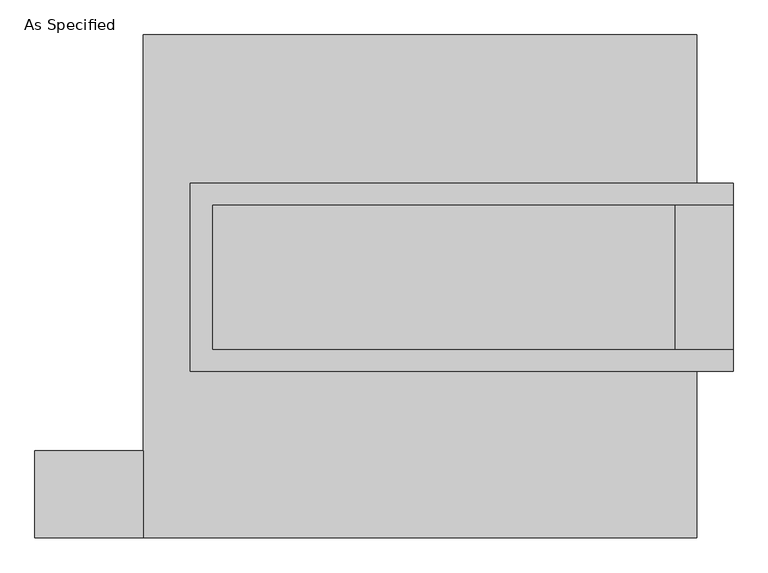
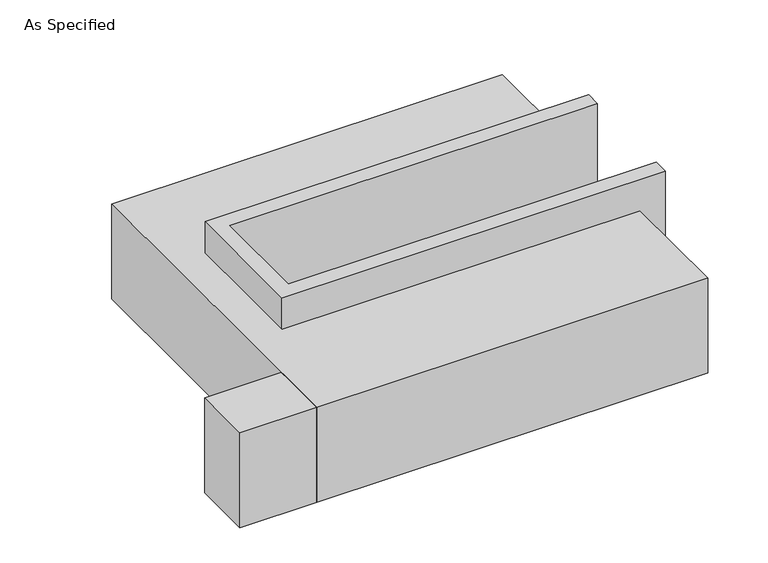
"""IFC4 building model written with IfcOpenShell, lengths in millimetres: proxy geometry, As Specified."""

from ifc_helpers import new_model, si_unit, frame, origin, place, context, project, spatial, polyline, outline, extrude, faceted_brep, source, transform, mapped, element, save


def as_specified_195ae768(model_context):
    return source(origin(), model_context, "Body", "SolidModel", [
        extrude(outline(polyline([(-971.55, -882.65), (-1352.55, -882.65), (-1352.55, -577.85), (-971.55, -577.85), (-971.55, -882.65)])), frame((0.0, 0.0, -523.9742188), z_axis=(0.0, 0.0, 1.0), x_axis=(1.0, 0.0, 0.0)), (0.0, 0.0, 1.0), 498.5742187),
        faceted_brep([(-806.45, 361.95, 139.7), (-806.45, 361.95, -393.7), (-806.45, 285.75, -393.7), (-806.45, 285.75, -25.4), (-806.45, -222.25, -25.4), (-806.45, -222.25, -393.7), (-806.45, -298.45, -393.7), (-806.45, -298.45, 139.7), (1098.55, 285.75, 139.7), (1098.55, 285.75, -317.5), (1098.55, -222.25, -317.5), (1098.55, -222.25, 139.7), (1098.55, -298.45, 139.7), (1098.55, -298.45, -393.7), (1098.55, 361.95, -393.7), (1098.55, 361.95, 139.7), (-730.25, -222.25, 139.7), (-730.25, 285.75, 139.7), (895.35, -222.25, -393.7), (895.35, 285.75, -393.7), (895.35, -222.25, -317.5), (-730.25, -222.25, -25.4), (895.35, 285.75, -317.5), (-730.25, 285.75, -25.4)], [[[0, 1, 2, 3, 4, 5, 6, 7]], [[8, 9, 10, 11, 12, 13, 14, 15]], [[0, 7, 12, 11, 16, 17, 8, 15]], [[1, 0, 15, 14]], [[14, 13, 6, 5, 18, 19, 2, 1]], [[7, 6, 13, 12]], [[11, 10, 20, 18, 5, 4, 21, 16]], [[10, 9, 22, 20]], [[9, 8, 17, 23, 3, 2, 19, 22]], [[18, 20, 22, 19]], [[23, 21, 4, 3]], [[17, 16, 21, 23]]]),
        faceted_brep([(-971.55, 882.65, -523.9742188), (971.55, 882.65, -523.9742188), (971.55, -882.65, -523.9742188), (-971.55, -882.65, -523.9742188), (971.55, 882.65, -25.4), (-971.55, 882.65, -25.4), (-971.55, -882.65, -25.4), (971.55, -882.65, -25.4), (971.55, -298.45, -25.4), (-806.45, -298.45, -25.4), (-806.45, 361.95, -25.4), (971.55, 361.95, -25.4), (971.55, 361.95, -393.7), (971.55, -298.45, -393.7), (-806.45, -298.45, -393.7), (-806.45, 361.95, -393.7)], [[[0, 1, 2, 3]], [[4, 5, 6, 7, 8, 9, 10, 11]], [[1, 0, 5, 4]], [[5, 0, 3, 6]], [[1, 4, 11, 12, 13, 8, 7, 2]], [[3, 2, 7, 6]], [[14, 15, 10, 9]], [[10, 15, 12, 11]], [[15, 14, 13, 12]], [[14, 9, 8, 13]]]),
    ])


if __name__ == "__main__":
    model = new_model("IFC4")
    model_context = context("Model", 3, world=origin())
    ifc_project = project(units=[si_unit("LENGTHUNIT", "METRE", prefix="MILLI")], contexts=[model_context])
    site = spatial("IfcSite", under=ifc_project)
    building = spatial("IfcBuilding", under=site)
    placement = place(None, origin())
    as_specified_shape = as_specified_195ae768(model_context)
    element("IfcBuildingElementProxy", 1, Name="As Specified", ObjectType="As Specified", at=placement, inside=building, context=model_context, shape_type="MappedRepresentation", body=[
        mapped(as_specified_shape, transform((0.0, 0.0, 0.0), x_axis=(1.0, 0.0, 0.0), y_axis=(0.0, 1.0, 0.0), z_axis=(0.0, 0.0, 1.0))),
    ])
    save(model, "model.ifc")
